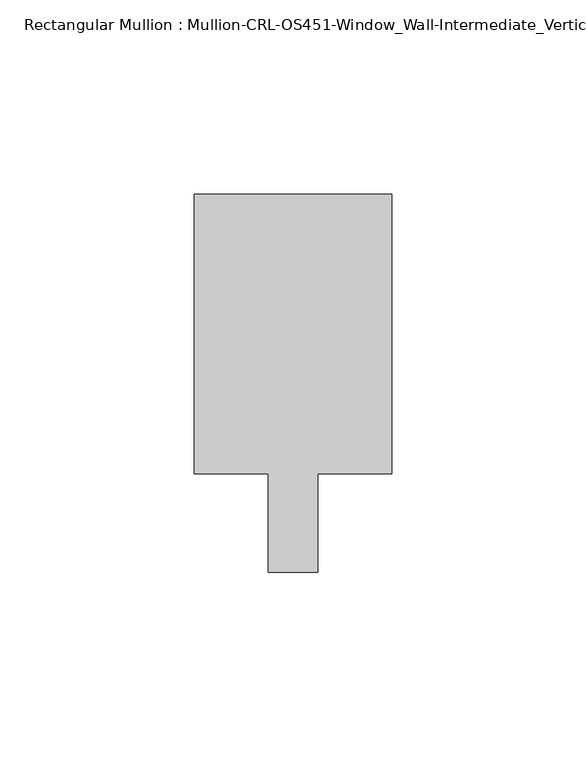
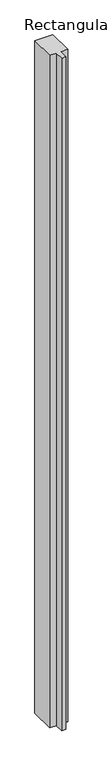
"""IFC4 building model written with IfcOpenShell, lengths in millimetres: member geometry, Rectangular Mullion : Mullion-CRL-OS451-Window_Wall-Intermediate_Vertical-butt."""

from ifc_helpers import new_model, si_unit, frame, origin, place, context, project, spatial, polyline, outline, extrude, source, transform, mapped, element, save


def rectangular_mullion_mullion_crl_os451_window_wall_b3bad471(model_context):
    return source(origin(), model_context, "Body", "SweptSolid", [
        extrude(outline(polyline([(-25.4, 12.7), (-25.4, 84.6587463), (25.4, 84.6587463), (25.4, 12.7), (6.35, 12.7), (6.35, -12.7), (-6.35, -12.7), (-6.35, 12.7), (-25.4, 12.7)])), frame((0.0, 0.0, -2011.6775442), z_axis=(0.0, 0.0, 1.0), x_axis=(1.0, 0.0, 0.0)), (0.0, 0.0, 1.0), 2011.6775442),
    ])


if __name__ == "__main__":
    model = new_model("IFC4")
    model_context = context("Model", 3, world=origin())
    ifc_project = project(units=[si_unit("LENGTHUNIT", "METRE", prefix="MILLI")], contexts=[model_context])
    site = spatial("IfcSite", under=ifc_project)
    building = spatial("IfcBuilding", under=site)
    placement = place(None, origin())
    rectangular_mullion_mullion_crl_os451_window_wall_shape = rectangular_mullion_mullion_crl_os451_window_wall_b3bad471(model_context)
    element("IfcMember", 1, ObjectType="Rectangular Mullion : Mullion-CRL-OS451-Window_Wall-Intermediate_Vertical-butt", at=placement, inside=building, context=model_context, shape_type="MappedRepresentation", body=[
        mapped(rectangular_mullion_mullion_crl_os451_window_wall_shape, transform((0.0, 0.0, 0.0), x_axis=(1.0, 0.0, 0.0), y_axis=(0.0, 1.0, 0.0), z_axis=(0.0, 0.0, 1.0))),
    ])
    save(model, "model.ifc")
